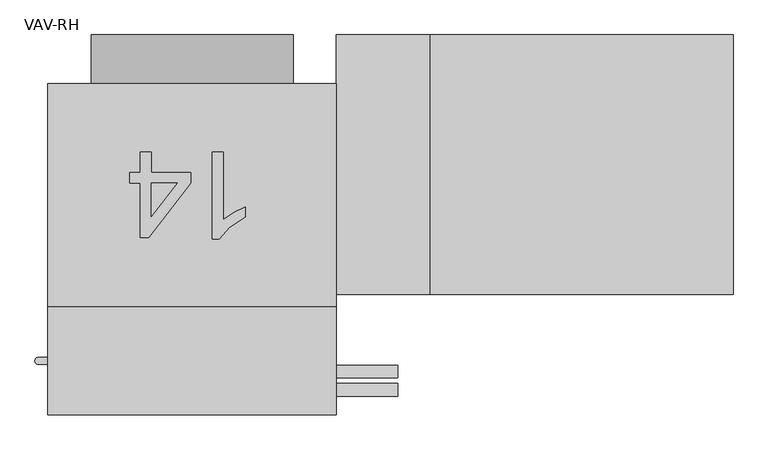
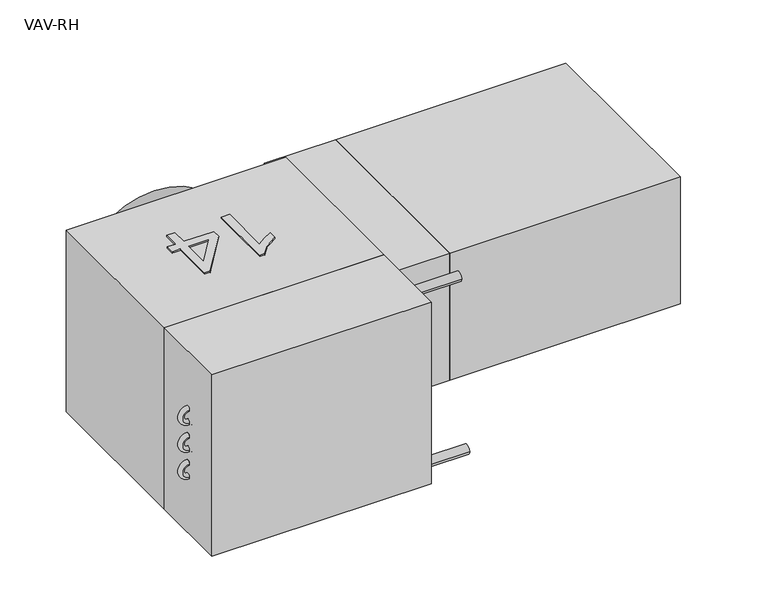
"""IFC4 building model written with IfcOpenShell, lengths in millimetres: proxy geometry, VAV-RH."""

import ifcopenshell
import ifcopenshell.guid

model = None  # the IFC model being written
_history = None  # IfcOwnerHistory: only IFC2X3 demands one
_inside = {}  # id of a spatial element -> (the spatial element, [elements in it])
_under = {}  # id of a project, library or spatial element -> (it, [spatial elements below it])
_declared = {}  # id of a project -> (the project, [libraries it declares])
_typed = {}  # id of a type object -> (the type object, [elements of that type])
_made_of = {}  # id of a material, layer set ... -> (it, [elements and type objects made of it])


def new_model(schema):
    """Start an empty IFC model of exactly this schema.

    Asked for "IFC4X3", IfcOpenShell would pick the latest addendum, in which some entities
    have other attributes; the version numbers below select the first issue.
    IFC2X3 requires an IfcOwnerHistory on every rooted entity: one is made here for all.
    """
    global model, _history
    if schema == "IFC4X3":
        model = ifcopenshell.file(schema_version=(4, 3, 0, 0))
    else:
        model = ifcopenshell.file(schema=schema)
    _inside.clear()
    _under.clear()
    _declared.clear()
    _typed.clear()
    _made_of.clear()
    _history = None
    if model.schema == "IFC2X3":
        org = make("IfcOrganization", Name="unknown")
        user = make(
            "IfcPersonAndOrganization",
            ThePerson=make("IfcPerson", FamilyName="unknown"),
            TheOrganization=org,
        )
        app = make(
            "IfcApplication",
            ApplicationDeveloper=org,
            Version="unknown",
            ApplicationFullName="unknown",
            ApplicationIdentifier="unknown",
        )
        _history = make(
            "IfcOwnerHistory",
            OwningUser=user,
            OwningApplication=app,
            ChangeAction="ADDED",
            CreationDate=0,
        )
    return model


def make(cls, **values):
    """One entity of the class cls with the attributes given. An attribute that is None is left unset."""
    return model.create_entity(
        cls, **{name: value for name, value in values.items() if value is not None}
    )


def rooted(cls, **values):
    """An entity with a GlobalId (a new one), such as an element, a storey or a relation."""
    return make(cls, GlobalId=ifcopenshell.guid.new(), OwnerHistory=_history, **values)


def si_unit(unit_type, name, prefix=None):
    """IfcSIUnit, for example si_unit("LENGTHUNIT", "METRE", prefix="MILLI")."""
    return make("IfcSIUnit", UnitType=unit_type, Prefix=prefix, Name=name)


def assignment(units):
    """IfcUnitAssignment: the units of a project."""
    return None if units is None else make("IfcUnitAssignment", Units=units)


def point(xyz):
    """IfcCartesianPoint."""
    return None if xyz is None else make("IfcCartesianPoint", Coordinates=xyz)


def direction(xyz):
    """IfcDirection."""
    return None if xyz is None else make("IfcDirection", DirectionRatios=xyz)


def frame(location, z_axis=None, x_axis=None):
    """IfcAxis2Placement3D, a coordinate frame: its origin and axes. An axis left out is left unset."""
    return make(
        "IfcAxis2Placement3D",
        Location=point(location),
        Axis=direction(z_axis),
        RefDirection=direction(x_axis),
    )


def frame_2d(location, x_axis=None):
    """IfcAxis2Placement2D, a coordinate frame in the plane: its origin and x axis."""
    return make(
        "IfcAxis2Placement2D", Location=point(location), RefDirection=direction(x_axis)
    )


def origin():
    """The frame at (0, 0, 0) with its axes left unset."""
    return frame((0.0, 0.0, 0.0))


def origin_with_axes():
    """The frame at (0, 0, 0) with the z axis (0, 0, 1) and the x axis (1, 0, 0) written out."""
    return frame((0.0, 0.0, 0.0), z_axis=(0.0, 0.0, 1.0), x_axis=(1.0, 0.0, 0.0))


def origin_2d():
    """The frame at (0, 0) in the plane with its x axis left unset."""
    return frame_2d((0.0, 0.0))


def place(relative_to, where):
    """IfcLocalPlacement: puts the frame where relative to a parent placement (None: the world)."""
    return make(
        "IfcLocalPlacement", PlacementRelTo=relative_to, RelativePlacement=where
    )


def context(
    kind, dimensions, precision=None, world=None, true_north=None, identifier=None
):
    """IfcGeometricRepresentationContext, for example the 3D "Model" context."""
    return make(
        "IfcGeometricRepresentationContext",
        ContextIdentifier=identifier,
        ContextType=kind,
        CoordinateSpaceDimension=dimensions,
        Precision=precision,
        WorldCoordinateSystem=world,
        TrueNorth=true_north,
    )


def project(units=None, contexts=None):
    """IfcProject with its units and contexts."""
    return rooted(
        "IfcProject",
        Name="project",
        RepresentationContexts=contexts,
        UnitsInContext=assignment(units),
    )


def spatial(cls, under=None, at=None, **own):
    """A site, building, storey or space (cls), placed at a placement, below another one or the project."""
    s = rooted(cls, ObjectPlacement=at, **own)
    if under is not None:
        _under.setdefault(under.id(), (under, []))[1].append(s)
    return s


def polyline(points):
    """IfcPolyline through the points."""
    return make("IfcPolyline", Points=[point(p) for p in points])


def circle_curve(where, radius):
    """IfcCircle in the frame where."""
    return make("IfcCircle", Position=where, Radius=radius)


def ellipse_curve(where, semi_axis1, semi_axis2):
    """IfcEllipse in the frame where."""
    return make(
        "IfcEllipse", Position=where, SemiAxis1=semi_axis1, SemiAxis2=semi_axis2
    )


def trimmed(basis, trim1, trim2, sense, master):
    """IfcTrimmedCurve: the piece of a basis curve between two trims."""
    return make(
        "IfcTrimmedCurve",
        BasisCurve=basis,
        Trim1=trim1,
        Trim2=trim2,
        SenseAgreement=sense,
        MasterRepresentation=master,
    )


def segment(curve, same_sense, transition):
    """IfcCompositeCurveSegment."""
    return make(
        "IfcCompositeCurveSegment",
        Transition=transition,
        SameSense=same_sense,
        ParentCurve=curve,
    )


def composite_curve(segments, self_intersect=None):
    """IfcCompositeCurve: segments joined end to end."""
    return make("IfcCompositeCurve", Segments=segments, SelfIntersect=self_intersect)


def outline(outer, holes=None, kind="AREA"):
    """IfcArbitraryClosedProfileDef: a profile drawn as a closed curve; with holes, ...WithVoids."""
    if holes is None:
        return make("IfcArbitraryClosedProfileDef", ProfileType=kind, OuterCurve=outer)
    return make(
        "IfcArbitraryProfileDefWithVoids",
        ProfileType=kind,
        OuterCurve=outer,
        InnerCurves=holes,
    )


def extrude(swept, where, along, depth):
    """IfcExtrudedAreaSolid: the profile swept, set in the frame where, extruded along a direction by depth."""
    return make(
        "IfcExtrudedAreaSolid",
        SweptArea=swept,
        Position=where,
        ExtrudedDirection=direction(along),
        Depth=depth,
    )


def shape(context_of_items, identifier, shape_type, items):
    """IfcShapeRepresentation: the items that make up one representation, for example the "Body"."""
    return make(
        "IfcShapeRepresentation",
        ContextOfItems=context_of_items,
        RepresentationIdentifier=identifier,
        RepresentationType=shape_type,
        Items=items,
    )


def source(mapping_origin, context_of_items, identifier, shape_type, items):
    """IfcRepresentationMap: a shape defined once, which mapped items show again and again."""
    return make(
        "IfcRepresentationMap",
        MappingOrigin=mapping_origin,
        MappedRepresentation=shape(context_of_items, identifier, shape_type, items),
    )


def transform(
    local_origin,
    x_axis=None,
    y_axis=None,
    z_axis=None,
    scale=None,
    scale2=None,
    scale3=None,
    uniform=True,
):
    """IfcCartesianTransformationOperator3D, or its non-uniform kind. x_axis, y_axis, z_axis: its Axis1, 2, 3."""
    if uniform:
        return make(
            "IfcCartesianTransformationOperator3D",
            Axis1=direction(x_axis),
            Axis2=direction(y_axis),
            LocalOrigin=point(local_origin),
            Scale=scale,
            Axis3=direction(z_axis),
        )
    return make(
        "IfcCartesianTransformationOperator3DnonUniform",
        Axis1=direction(x_axis),
        Axis2=direction(y_axis),
        LocalOrigin=point(local_origin),
        Scale=scale,
        Axis3=direction(z_axis),
        Scale2=scale2,
        Scale3=scale3,
    )


def mapped(mapping_source, mapping_target):
    """IfcMappedItem: shows the shape of a source again, moved by a transform."""
    return make(
        "IfcMappedItem", MappingSource=mapping_source, MappingTarget=mapping_target
    )


def made_of(thing, what):
    """Note that an element or type object is made of a material, layer set ...; save() writes the relation."""
    if what is not None:
        _made_of.setdefault(what.id(), (what, []))[1].append(thing)
    return thing


def element(
    cls,
    number,
    at=None,
    inside=None,
    cuts=None,
    type_object=None,
    material=None,
    context=None,
    identifier="Body",
    shape_type=None,
    held_by="IfcProductDefinitionShape",
    body=None,
    shapes=None,
    **own,
):
    """One element of the class cls, such as IfcWall. Its Tag is "e" and its number.

    at: its placement. inside: the storey or other place that contains it. cuts: it is an
    opening in that element (IfcRelVoidsElement). A single representation is given by context,
    identifier, shape_type and body (its items); several are given by shapes. held_by: the class
    of the entity that holds the representations. save() writes the other relations.
    """
    e = rooted(cls, Tag="e%d" % number, ObjectPlacement=at, **own)
    if body is not None:
        shapes = [shape(context, identifier, shape_type, body)]
    if shapes is not None:
        e.Representation = make(held_by, Representations=shapes)
    if inside is not None:
        _inside.setdefault(inside.id(), (inside, []))[1].append(e)
    if cuts is not None:
        rooted(
            "IfcRelVoidsElement", RelatingBuildingElement=cuts, RelatedOpeningElement=e
        )
    if type_object is not None:
        _typed.setdefault(type_object.id(), (type_object, []))[1].append(e)
    return made_of(e, material)


def aggregate(whole, parts):
    """IfcRelAggregates: a whole, such as a stair, and the parts it consists of."""
    return rooted("IfcRelAggregates", RelatingObject=whole, RelatedObjects=parts)


def save(model, path):
    """Write the relations noted so far, then the file.

    IfcRelAggregates (storeys below a building ...), IfcRelContainedInSpatialStructure (elements
    in a storey), IfcRelDefinesByType, IfcRelAssociatesMaterial and IfcRelDeclares: one each for
    every whole, place, type object, material and project.
    """
    for whole, parts in _under.values():
        aggregate(whole, parts)
    for where, things in _inside.values():
        rooted(
            "IfcRelContainedInSpatialStructure",
            RelatedElements=things,
            RelatingStructure=where,
        )
    for kind, things in _typed.values():
        rooted("IfcRelDefinesByType", RelatedObjects=things, RelatingType=kind)
    for what, things in _made_of.values():
        rooted("IfcRelAssociatesMaterial", RelatedObjects=things, RelatingMaterial=what)
    for by, libraries in _declared.values():
        rooted("IfcRelDeclares", RelatingContext=by, RelatedDefinitions=libraries)
    model.write(path)


def plane_surface(at):
    """IfcPlane: the flat surface through the origin of the frame at, square to its z axis."""
    return make("IfcPlane", Position=at)


def revolved_surface(curve, axis_point, axis_direction):
    """IfcSurfaceOfRevolution: the curve turned about the line through axis_point along axis_direction."""
    return make(
        "IfcSurfaceOfRevolution",
        SweptCurve=make("IfcArbitraryOpenProfileDef", ProfileType="CURVE", Curve=curve),
        AxisPosition=make("IfcAxis1Placement", Location=point(axis_point), Axis=direction(axis_direction)),
    )


def advanced_brep(points, edges, surfaces, faces):
    """IfcAdvancedBrep: a solid bounded by faces that lie on surfaces and meet in shared edges.

    An edge is (start, end): straight between two places in points (the first is 0);
    or (start, end, curve); or (start, end, curve, False) where it runs against its curve.
    A face is (place in surfaces, loops), or (place, loops, False) where it looks against
    its surface's normal. A loop lists edges by number (the first is 1), with a minus sign
    where the edge is run from its end to its start. The first loop is the outer one.
    """
    corners = [point(p) for p in points]
    vertices = [make("IfcVertexPoint", VertexGeometry=c) for c in corners]
    made = []
    for start, end, *more in edges:
        made.append(
            make(
                "IfcEdgeCurve",
                EdgeStart=vertices[start],
                EdgeEnd=vertices[end],
                EdgeGeometry=more[0] if more else make("IfcPolyline", Points=[corners[start], corners[end]]),
                SameSense=more[1] if len(more) > 1 else True,
            )
        )
    hull = []
    for where, loops, *sense in faces:
        bounds = []
        for j, loop in enumerate(loops):
            ring = [make("IfcOrientedEdge", EdgeElement=made[abs(k) - 1], Orientation=k > 0) for k in loop]
            bounds.append(
                make(
                    "IfcFaceOuterBound" if j == 0 else "IfcFaceBound",
                    Bound=make("IfcEdgeLoop", EdgeList=ring),
                    Orientation=True,
                )
            )
        hull.append(make("IfcAdvancedFace", Bounds=bounds, FaceSurface=surfaces[where], SameSense=sense[0] if sense else True))
    return make("IfcAdvancedBrep", Outer=make("IfcClosedShell", CfsFaces=hull))


def vav_rh_074e3b0e(model_context):
    return source(origin(), model_context, "Body", "SolidModel", [
        extrude(outline(composite_curve([segment(trimmed(circle_curve(frame_2d((-539.75, -201.6125)), 11.1125), [point((-550.8625, -201.6125))], [point((-528.6375, -201.6125))], False, "CARTESIAN"), True, "CONTINUOUS"), segment(trimmed(circle_curve(frame_2d((-539.75, -201.6125)), 11.1125), [point((-528.6375, -201.6125))], [point((-550.8625, -201.6125))], False, "CARTESIAN"), True, "CONTINUOUS")], self_intersect=False)), frame((0.0, 0.0, 0.0), z_axis=(1.0, 0.0, 0.0), x_axis=(0.0, 1.0, 0.0)), (0.0, 0.0, 1.0), 361.95),
        extrude(outline(composite_curve([segment(trimmed(circle_curve(frame_2d((-508.0, 201.6125)), 11.1125), [point((-519.1125, 201.6125))], [point((-496.8875, 201.6125))], False, "CARTESIAN"), True, "CONTINUOUS"), segment(trimmed(circle_curve(frame_2d((-508.0, 201.6125)), 11.1125), [point((-496.8875, 201.6125))], [point((-519.1125, 201.6125))], False, "CARTESIAN"), True, "CONTINUOUS")], self_intersect=False)), frame((0.0, 0.0, 0.0), z_axis=(1.0, 0.0, 0.0), x_axis=(0.0, 1.0, 0.0)), (0.0, 0.0, 1.0), 361.95),
        advanced_brep(
        [(-254.0, -495.3, 82.55), (-254.0, -482.6, 82.55), (-254.0, -495.3, 49.53), (-254.0, -482.6, 49.53), (-254.0, -495.3, 16.51), (-254.0, -482.6, 16.51), (-254.0, -495.3, -16.51), (-254.0, -482.6, -16.51), (-254.0, -495.3, -49.53), (-254.0, -482.6, -49.53), (-254.0, -495.3, -82.55), (-254.0, -482.6, -82.55)],
        [
            (0, 1, circle_curve(frame((-254.0, -488.95, 82.55), z_axis=(1.0, 0.0, 0.0), x_axis=(0.0, 1.0, 0.0)), 6.35)),
            (1, 0, circle_curve(frame((-254.0, -488.95, 82.55), z_axis=(1.0, 0.0, 0.0), x_axis=(0.0, 1.0, 0.0)), 6.35)),
            (2, 0, circle_curve(frame((-254.0, -495.3, 66.04), z_axis=(0.0, 1.0, 0.0), x_axis=(0.0, 0.0, 1.0)), 16.51)),
            (1, 3, circle_curve(frame((-254.0, -482.6, 66.04), z_axis=(0.0, -1.0, 0.0), x_axis=(0.0, 0.0, 1.0)), 16.51)),
            (3, 2, circle_curve(frame((-254.0, -488.95, 49.53), z_axis=(-1.0, 0.0, 0.0), x_axis=(0.0, 1.0, 0.0)), 6.35)),
            (2, 3, circle_curve(frame((-254.0, -488.95, 49.53), z_axis=(-1.0, 0.0, 0.0), x_axis=(0.0, 1.0, 0.0)), 6.35)),
            (4, 2, circle_curve(frame((-254.0, -495.3, 33.02), z_axis=(0.0, -1.0, 0.0), x_axis=(0.0, 0.0, 1.0)), 16.51)),
            (3, 5, circle_curve(frame((-254.0, -482.6, 33.02), z_axis=(0.0, 1.0, 0.0), x_axis=(0.0, 0.0, 1.0)), 16.51)),
            (5, 4, circle_curve(frame((-254.0, -488.95, 16.51), z_axis=(1.0, 0.0, 0.0), x_axis=(0.0, 1.0, 0.0)), 6.35)),
            (4, 5, circle_curve(frame((-254.0, -488.95, 16.51), z_axis=(1.0, 0.0, 0.0), x_axis=(0.0, 1.0, 0.0)), 6.35)),
            (6, 4, circle_curve(frame((-254.0, -495.3, 0.0), z_axis=(0.0, 1.0, 0.0), x_axis=(0.0, 0.0, 1.0)), 16.51)),
            (5, 7, circle_curve(frame((-254.0, -482.6, 0.0), z_axis=(0.0, -1.0, 0.0), x_axis=(0.0, 0.0, 1.0)), 16.51)),
            (7, 6, circle_curve(frame((-254.0, -488.95, -16.51), z_axis=(-1.0, 0.0, 0.0), x_axis=(0.0, 1.0, 0.0)), 6.35)),
            (6, 7, circle_curve(frame((-254.0, -488.95, -16.51), z_axis=(-1.0, 0.0, 0.0), x_axis=(0.0, 1.0, 0.0)), 6.35)),
            (8, 6, circle_curve(frame((-254.0, -495.3, -33.02), z_axis=(0.0, -1.0, 0.0), x_axis=(0.0, 0.0, 1.0)), 16.51)),
            (7, 9, circle_curve(frame((-254.0, -482.6, -33.02), z_axis=(0.0, 1.0, 0.0), x_axis=(0.0, 0.0, 1.0)), 16.51)),
            (9, 8, circle_curve(frame((-254.0, -488.95, -49.53), z_axis=(1.0, 0.0, 0.0), x_axis=(0.0, 1.0, 0.0)), 6.35)),
            (8, 9, circle_curve(frame((-254.0, -488.95, -49.53), z_axis=(1.0, 0.0, 0.0), x_axis=(0.0, 1.0, 0.0)), 6.35)),
            (10, 11, circle_curve(frame((-254.0, -488.95, -82.55), z_axis=(1.0, 0.0, 0.0), x_axis=(0.0, 1.0, 0.0)), 6.35)),
            (11, 10, circle_curve(frame((-254.0, -488.95, -82.55), z_axis=(1.0, 0.0, 0.0), x_axis=(0.0, 1.0, 0.0)), 6.35)),
            (10, 8, circle_curve(frame((-254.0, -495.3, -66.04), z_axis=(0.0, 1.0, 0.0), x_axis=(0.0, 0.0, 1.0)), 16.51)),
            (9, 11, circle_curve(frame((-254.0, -482.6, -66.04), z_axis=(0.0, -1.0, 0.0), x_axis=(0.0, 0.0, 1.0)), 16.51)),
        ],
        [
            plane_surface(frame((-254.0, -488.95, 82.55), z_axis=(1.0, 0.0, 0.0), x_axis=(0.0, 1.0, 0.0))),
            revolved_surface(trimmed(ellipse_curve(frame((-254.0, -488.95, 82.55), z_axis=(1.0, 0.0, 0.0), x_axis=(0.0, 1.0, 0.0)), 6.35, 6.35), [point((-254.0, -482.6, 82.55))], [point((-254.0, -495.3, 82.55))], True, "CARTESIAN"), (-254.0, -488.95, 66.04), (0.0, -1.0, 0.0)),
            revolved_surface(trimmed(ellipse_curve(frame((-254.0, -488.95, 82.55), z_axis=(1.0, 0.0, 0.0), x_axis=(0.0, 1.0, 0.0)), 6.35, 6.35), [point((-254.0, -495.3, 82.55))], [point((-254.0, -482.6, 82.55))], True, "CARTESIAN"), (-254.0, -488.95, 66.04), (0.0, -1.0, 0.0)),
            revolved_surface(trimmed(ellipse_curve(frame((-254.0, -488.95, 49.53), z_axis=(-1.0, 0.0, 0.0), x_axis=(0.0, 1.0, 0.0)), 6.35, 6.35), [point((-254.0, -482.6, 49.53))], [point((-254.0, -495.3, 49.53))], True, "CARTESIAN"), (-254.0, -488.95, 33.02), (0.0, 1.0, 0.0)),
            revolved_surface(trimmed(ellipse_curve(frame((-254.0, -488.95, 49.53), z_axis=(-1.0, 0.0, 0.0), x_axis=(0.0, 1.0, 0.0)), 6.35, 6.35), [point((-254.0, -495.3, 49.53))], [point((-254.0, -482.6, 49.53))], True, "CARTESIAN"), (-254.0, -488.95, 33.02), (0.0, 1.0, 0.0)),
            revolved_surface(trimmed(ellipse_curve(frame((-254.0, -488.95, 16.51), z_axis=(1.0, 0.0, 0.0), x_axis=(0.0, 1.0, 0.0)), 6.35, 6.35), [point((-254.0, -482.6, 16.51))], [point((-254.0, -495.3, 16.51))], True, "CARTESIAN"), (-254.0, -488.95, 0.0), (0.0, -1.0, 0.0)),
            revolved_surface(trimmed(ellipse_curve(frame((-254.0, -488.95, 16.51), z_axis=(1.0, 0.0, 0.0), x_axis=(0.0, 1.0, 0.0)), 6.35, 6.35), [point((-254.0, -495.3, 16.51))], [point((-254.0, -482.6, 16.51))], True, "CARTESIAN"), (-254.0, -488.95, 0.0), (0.0, -1.0, 0.0)),
            revolved_surface(trimmed(ellipse_curve(frame((-254.0, -488.95, -16.51), z_axis=(-1.0, 0.0, 0.0), x_axis=(0.0, 1.0, 0.0)), 6.35, 6.35), [point((-254.0, -482.6, -16.51))], [point((-254.0, -495.3, -16.51))], True, "CARTESIAN"), (-254.0, -488.95, -33.02), (0.0, 1.0, 0.0)),
            revolved_surface(trimmed(ellipse_curve(frame((-254.0, -488.95, -16.51), z_axis=(-1.0, 0.0, 0.0), x_axis=(0.0, 1.0, 0.0)), 6.35, 6.35), [point((-254.0, -495.3, -16.51))], [point((-254.0, -482.6, -16.51))], True, "CARTESIAN"), (-254.0, -488.95, -33.02), (0.0, 1.0, 0.0)),
            plane_surface(frame((-254.0, -488.95, -82.55), z_axis=(1.0, 0.0, 0.0), x_axis=(0.0, 1.0, 0.0))),
            revolved_surface(trimmed(ellipse_curve(frame((-254.0, -488.95, -49.53), z_axis=(1.0, 0.0, 0.0), x_axis=(0.0, 1.0, 0.0)), 6.35, 6.35), [point((-254.0, -482.6, -49.53))], [point((-254.0, -495.3, -49.53))], True, "CARTESIAN"), (-254.0, -488.95, -66.04), (0.0, -1.0, 0.0)),
            revolved_surface(trimmed(ellipse_curve(frame((-254.0, -488.95, -49.53), z_axis=(1.0, 0.0, 0.0), x_axis=(0.0, 1.0, 0.0)), 6.35, 6.35), [point((-254.0, -495.3, -49.53))], [point((-254.0, -482.6, -49.53))], True, "CARTESIAN"), (-254.0, -488.95, -66.04), (0.0, -1.0, 0.0)),
        ],
        [
            (0, [[1, 2]]),
            (1, [[3, -2, 4, 5]]),
            (2, [[-4, -1, -3, 6]]),
            (3, [[7, -5, 8, 9]]),
            (4, [[-8, -6, -7, 10]]),
            (5, [[11, -9, 12, 13]]),
            (6, [[-12, -10, -11, 14]]),
            (7, [[15, -13, 16, 17]]),
            (8, [[-16, -14, -15, 18]]),
            (9, [[19, 20]]),
            (10, [[21, -17, 22, -19]]),
            (11, [[-22, -18, -21, -20]]),
        ],
    ),
        extrude(outline(polyline([(254.0, -584.2), (-254.0, -584.2), (-254.0, -393.7), (254.0, -393.7), (254.0, -584.2)])), frame((0.0, 0.0, -222.25), z_axis=(0.0, 0.0, 1.0), x_axis=(1.0, 0.0, 0.0)), (0.0, 0.0, 1.0), 444.5),
        extrude(outline(polyline([(952.5, 85.725), (952.5, -371.475), (419.1, -371.475), (419.1, 85.725), (952.5, 85.725)])), frame((0.0, 0.0, -155.575), z_axis=(0.0, 0.0, 1.0), x_axis=(1.0, 0.0, 0.0)), (0.0, 0.0, 1.0), 311.15),
        extrude(outline(polyline([(419.1, 85.725), (419.1, -371.475), (254.0, -371.475), (254.0, 85.725), (419.1, 85.725)])), frame((0.0, 0.0, -155.575), z_axis=(0.0, 0.0, 1.0), x_axis=(1.0, 0.0, 0.0)), (0.0, 0.0, 1.0), 311.15),
        extrude(outline(polyline([(35.8817383, -120.65), (55.0186654, -120.65), (55.0186654, -239.9567798), (73.1464186, -227.0430917), (93.2925195, -217.3811861), (93.2925195, -235.4715625), (65.2412231, -253.3750548), (48.2160858, -273.7454167), (35.8817383, -273.7454167), (35.8817383, -120.65)])), origin_with_axes(), (0.0, 0.0, 1.0), 225.425),
        extrude(outline(polyline([(-71.7634766, -120.65), (-71.7634766, -156.5317383), (-2.3921159, -156.5317383), (-2.3921159, -175.6686654), (-76.5477083, -271.3533008), (-90.9004036, -271.3533008), (-90.9004036, -175.6686654), (-110.0373307, -175.6686654), (-110.0373307, -156.5317383), (-90.9004036, -156.5317383), (-90.9004036, -120.65), (-71.7634766, -120.65)]), holes=[polyline([(-71.7634766, -175.6686654), (-71.7634766, -234.7987799), (-25.9395066, -175.6686654), (-71.7634766, -175.6686654)])]), origin_with_axes(), (0.0, 0.0, 1.0), 225.425),
        extrude(outline(composite_curve([segment(trimmed(circle_curve(origin_2d(), 177.8), [point((0.0, 177.8))], [point((0.0, -177.8))], False, "CARTESIAN"), True, "CONTINUOUS"), segment(trimmed(circle_curve(origin_2d(), 177.8), [point((0.0, -177.8))], [point((0.0, 177.8))], False, "CARTESIAN"), True, "CONTINUOUS")], self_intersect=False)), frame((0.0, 0.0, 0.0), z_axis=(0.0, 1.0, 0.0), x_axis=(0.0, 0.0, 1.0)), (0.0, 0.0, 1.0), 85.725),
        extrude(outline(polyline([(254.0, -393.7), (-254.0, -393.7), (-254.0, 0.0), (254.0, 0.0), (254.0, -393.7)])), frame((0.0, 0.0, -222.25), z_axis=(0.0, 0.0, 1.0), x_axis=(1.0, 0.0, 0.0)), (0.0, 0.0, 1.0), 444.5),
    ])


if __name__ == "__main__":
    model = new_model("IFC4")
    model_context = context("Model", 3, world=origin())
    ifc_project = project(units=[si_unit("LENGTHUNIT", "METRE", prefix="MILLI")], contexts=[model_context])
    site = spatial("IfcSite", under=ifc_project)
    building = spatial("IfcBuilding", under=site)
    placement = place(None, origin())
    vav_rh_shape = vav_rh_074e3b0e(model_context)
    element("IfcBuildingElementProxy", 1, Name="VAV-RH", ObjectType="VAV-RH", at=placement, inside=building, context=model_context, shape_type="MappedRepresentation", body=[
        mapped(vav_rh_shape, transform((0.0, 0.0, 0.0), x_axis=(1.0, 0.0, 0.0), y_axis=(0.0, 1.0, 0.0), z_axis=(0.0, 0.0, 1.0))),
    ])
    save(model, "model.ifc")
